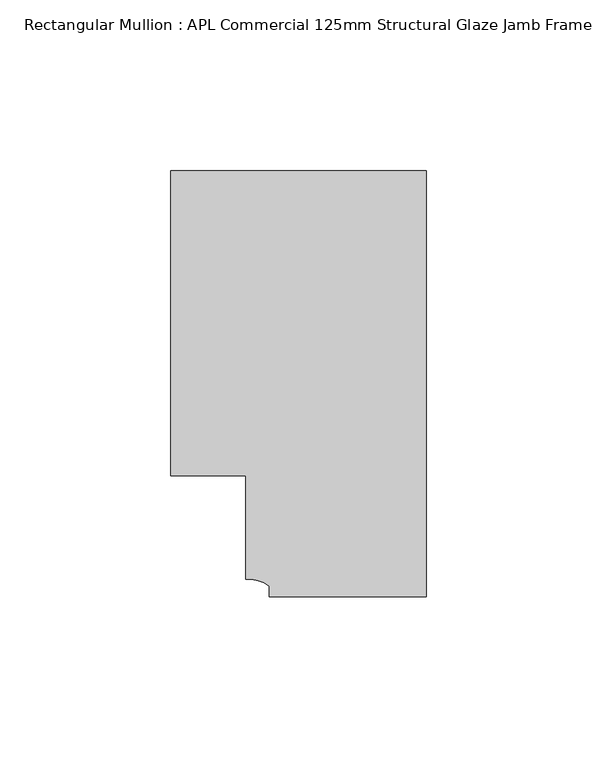
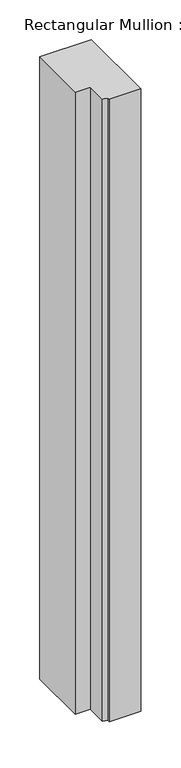
"""IFC4 building model written with IfcOpenShell, lengths in millimetres: member geometry, Rectangular Mullion : APL Commercial 125mm Structural Glaze Jamb Frame (right)."""

from ifc_helpers import new_model, si_unit, point, frame, frame_2d, origin, place, context, project, spatial, polyline, circle_curve, trimmed, segment, composite_curve, outline, extrude, source, transform, mapped, element, save


def rectangular_mullion_apl_commercial_125mm_structural_glaze_31daf364(model_context):
    return source(origin(), model_context, "Body", "SweptSolid", [
        extrude(outline(composite_curve([segment(polyline([(0.0, -20.5), (-46.0, -20.5), (-46.0, -17.3125212)]), True, "CONTINUOUS"), segment(trimmed(circle_curve(frame_2d((-52.1098019, -25.7981812)), 10.4563907), [point((-46.0, -17.3125212))], [point((-52.9999391, -15.3797475))], True, "CARTESIAN"), True, "CONTINUOUS"), segment(polyline([(-52.9999391, -15.3797475), (-52.9999391, 15.0000829), (-75.0, 15.0000829), (-75.0, 104.5), (0.0, 104.5), (0.0, -20.5)]), True, "CONTINUOUS")], self_intersect=False)), frame((0.0, 0.0, -956.8333313), z_axis=(0.0, 0.0, 1.0), x_axis=(1.0, 0.0, 0.0)), (0.0, 0.0, 1.0), 956.8333313),
    ])


if __name__ == "__main__":
    model = new_model("IFC4")
    model_context = context("Model", 3, world=origin())
    ifc_project = project(units=[si_unit("LENGTHUNIT", "METRE", prefix="MILLI")], contexts=[model_context])
    site = spatial("IfcSite", under=ifc_project)
    building = spatial("IfcBuilding", under=site)
    placement = place(None, origin())
    rectangular_mullion_apl_commercial_125mm_structural_glaze_shape = rectangular_mullion_apl_commercial_125mm_structural_glaze_31daf364(model_context)
    element("IfcMember", 1, ObjectType="Rectangular Mullion : APL Commercial 125mm Structural Glaze Jamb Frame (right)", at=placement, inside=building, context=model_context, shape_type="MappedRepresentation", body=[
        mapped(rectangular_mullion_apl_commercial_125mm_structural_glaze_shape, transform((0.0, 0.0, 0.0), x_axis=(1.0, 0.0, 0.0), y_axis=(0.0, 1.0, 0.0), z_axis=(0.0, 0.0, 1.0))),
    ])
    save(model, "model.ifc")
